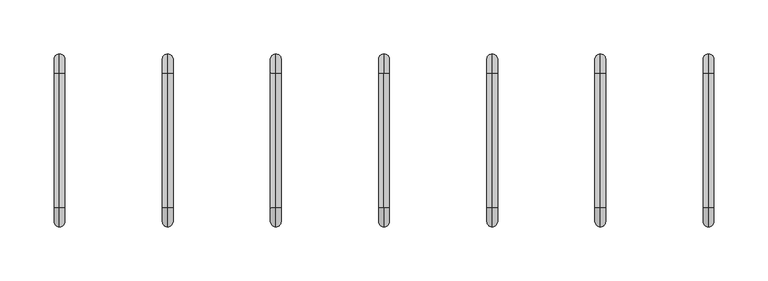
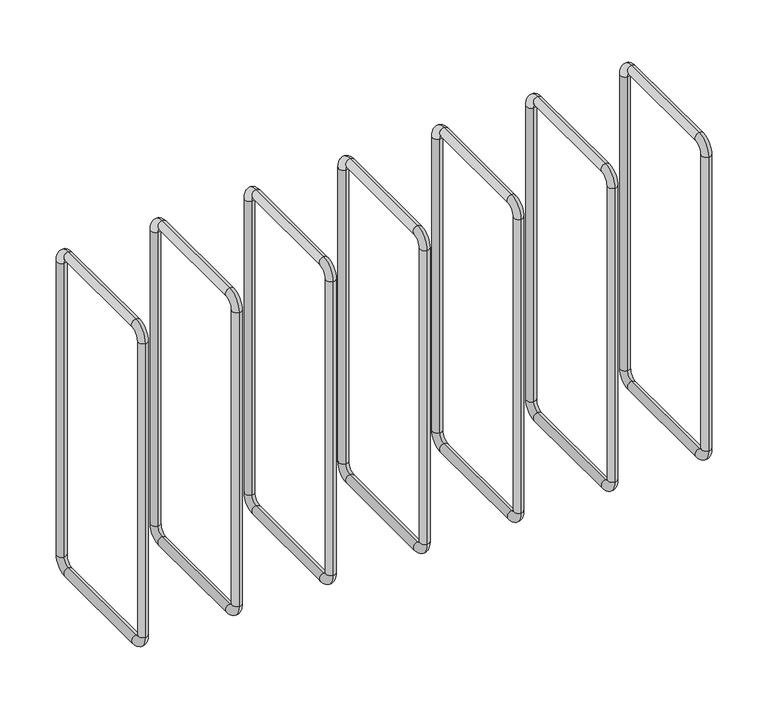
"""IFC4 building model written with IfcOpenShell, lengths in millimetres: proxy geometry."""

from ifc_helpers import new_model, si_unit, point, frame, origin, place, context, project, spatial, circle_curve, ellipse_curve, trimmed, source, transform, mapped, element, save
from ifc_brep_helpers import cylinder_surface, revolved_surface, advanced_brep


def generic_models_89b99ae0(model_context):
    return source(origin(), model_context, "Body", "AdvancedBrep", [
        advanced_brep(
        [(745.0, 80.0, 367.25), (745.0, 62.5, 384.75), (745.0, 62.5, 374.75), (745.0, 70.0, 367.25), (745.0, 70.0, 36.25), (745.0, 80.0, 36.25), (745.0, 62.5, 18.75), (745.0, 62.5, 28.75), (745.0, -62.5, 28.75), (745.0, -62.5, 18.75), (745.0, -80.0, 36.25), (745.0, -70.0, 36.25), (745.0, -70.0, 367.25), (745.0, -80.0, 367.25), (745.0, -62.5, 384.75), (745.0, -62.5, 374.75)],
        [
            (0, 1, circle_curve(frame((745.0, 62.5, 367.25), z_axis=(1.0, 0.0, 0.0), x_axis=(0.0, 0.0, 1.0)), 17.5)),
            (1, 2, circle_curve(frame((745.0, 62.5, 379.75), z_axis=(0.0, 1.0, 0.0), x_axis=(0.0, 0.0, 1.0)), 5.0)),
            (2, 3, circle_curve(frame((745.0, 62.5, 367.25), z_axis=(-1.0, 0.0, 0.0), x_axis=(0.0, 0.0, 1.0)), 7.5)),
            (3, 0, circle_curve(frame((745.0, 75.0, 367.25), z_axis=(0.0, 0.0, 1.0), x_axis=(0.0, 1.0, 0.0)), 5.0)),
            (2, 1, circle_curve(frame((745.0, 62.5, 379.75), z_axis=(0.0, 1.0, 0.0), x_axis=(0.0, 0.0, 1.0)), 5.0)),
            (0, 3, circle_curve(frame((745.0, 75.0, 367.25), z_axis=(0.0, 0.0, 1.0), x_axis=(0.0, 1.0, 0.0)), 5.0)),
            (3, 4),
            (4, 5, circle_curve(frame((745.0, 75.0, 36.25), z_axis=(0.0, 0.0, 1.0), x_axis=(0.0, 1.0, 0.0)), 5.0)),
            (5, 0),
            (5, 4, circle_curve(frame((745.0, 75.0, 36.25), z_axis=(0.0, 0.0, 1.0), x_axis=(0.0, 1.0, 0.0)), 5.0)),
            (6, 5, circle_curve(frame((745.0, 62.5, 36.25), z_axis=(1.0, 0.0, 0.0), x_axis=(0.0, 1.0, 0.0)), 17.5)),
            (4, 7, circle_curve(frame((745.0, 62.5, 36.25), z_axis=(-1.0, 0.0, 0.0), x_axis=(0.0, 1.0, 0.0)), 7.5)),
            (7, 6, circle_curve(frame((745.0, 62.5, 23.75), z_axis=(0.0, 1.0, 0.0), x_axis=(0.0, 0.0, -1.0)), 5.0)),
            (6, 7, circle_curve(frame((745.0, 62.5, 23.75), z_axis=(0.0, 1.0, 0.0), x_axis=(0.0, 0.0, -1.0)), 5.0)),
            (7, 8),
            (8, 9, circle_curve(frame((745.0, -62.5, 23.75), z_axis=(0.0, 1.0, 0.0), x_axis=(0.0, 0.0, -1.0)), 5.0)),
            (9, 6),
            (9, 8, circle_curve(frame((745.0, -62.5, 23.75), z_axis=(0.0, 1.0, 0.0), x_axis=(0.0, 0.0, -1.0)), 5.0)),
            (10, 9, circle_curve(frame((745.0, -62.5, 36.25), z_axis=(1.0, 0.0, 0.0), x_axis=(0.0, 0.0, -1.0)), 17.5)),
            (8, 11, circle_curve(frame((745.0, -62.5, 36.25), z_axis=(-1.0, 0.0, 0.0), x_axis=(0.0, 0.0, -1.0)), 7.5)),
            (11, 10, circle_curve(frame((745.0, -75.0, 36.25), z_axis=(0.0, 0.0, -1.0), x_axis=(0.0, -1.0, 0.0)), 5.0)),
            (10, 11, circle_curve(frame((745.0, -75.0, 36.25), z_axis=(0.0, 0.0, -1.0), x_axis=(0.0, -1.0, 0.0)), 5.0)),
            (11, 12),
            (12, 13, circle_curve(frame((745.0, -75.0, 367.25), z_axis=(0.0, 0.0, -1.0), x_axis=(0.0, -1.0, 0.0)), 5.0)),
            (13, 10),
            (13, 12, circle_curve(frame((745.0, -75.0, 367.25), z_axis=(0.0, 0.0, -1.0), x_axis=(0.0, -1.0, 0.0)), 5.0)),
            (14, 13, circle_curve(frame((745.0, -62.5, 367.25), z_axis=(1.0, 0.0, 0.0), x_axis=(0.0, -1.0, 0.0)), 17.5)),
            (12, 15, circle_curve(frame((745.0, -62.5, 367.25), z_axis=(-1.0, 0.0, 0.0), x_axis=(0.0, -1.0, 0.0)), 7.5)),
            (15, 14, circle_curve(frame((745.0, -62.5, 379.75), z_axis=(0.0, -1.0, 0.0), x_axis=(0.0, 0.0, 1.0)), 5.0)),
            (14, 15, circle_curve(frame((745.0, -62.5, 379.75), z_axis=(0.0, -1.0, 0.0), x_axis=(0.0, 0.0, 1.0)), 5.0)),
            (15, 2),
            (1, 14),
        ],
        [
            revolved_surface(trimmed(ellipse_curve(frame((745.0, 62.5, 379.75), z_axis=(0.0, -1.0, 0.0), x_axis=(0.0, 0.0, 1.0)), 5.0, 5.0), [point((745.0, 62.5, 374.75))], [point((745.0, 62.5, 384.75))], True, "CARTESIAN"), (745.0, 62.5, 367.25), (-1.0, 0.0, 0.0)),
            revolved_surface(trimmed(ellipse_curve(frame((745.0, 62.5, 379.75), z_axis=(0.0, -1.0, 0.0), x_axis=(0.0, 0.0, 1.0)), 5.0, 5.0), [point((745.0, 62.5, 384.75))], [point((745.0, 62.5, 374.75))], True, "CARTESIAN"), (745.0, 62.5, 367.25), (-1.0, 0.0, 0.0)),
            cylinder_surface(frame((745.0, 75.0, 367.25), z_axis=(0.0, 0.0, 1.0), x_axis=(0.0, 1.0, 0.0)), 5.0),
            revolved_surface(trimmed(ellipse_curve(frame((745.0, 75.0, 36.25), z_axis=(0.0, 0.0, 1.0), x_axis=(0.0, 1.0, 0.0)), 5.0, 5.0), [point((745.0, 70.0, 36.25))], [point((745.0, 80.0, 36.25))], True, "CARTESIAN"), (745.0, 62.5, 36.25), (-1.0, 0.0, 0.0)),
            revolved_surface(trimmed(ellipse_curve(frame((745.0, 75.0, 36.25), z_axis=(0.0, 0.0, 1.0), x_axis=(0.0, 1.0, 0.0)), 5.0, 5.0), [point((745.0, 80.0, 36.25))], [point((745.0, 70.0, 36.25))], True, "CARTESIAN"), (745.0, 62.5, 36.25), (-1.0, 0.0, 0.0)),
            cylinder_surface(frame((745.0, 62.5, 23.75), z_axis=(0.0, 1.0, 0.0), x_axis=(0.0, 0.0, -1.0)), 5.0),
            revolved_surface(trimmed(ellipse_curve(frame((745.0, -62.5, 23.75), z_axis=(0.0, 1.0, 0.0), x_axis=(0.0, 0.0, -1.0)), 5.0, 5.0), [point((745.0, -62.5, 28.75))], [point((745.0, -62.5, 18.75))], True, "CARTESIAN"), (745.0, -62.5, 36.25), (-1.0, 0.0, 0.0)),
            revolved_surface(trimmed(ellipse_curve(frame((745.0, -62.5, 23.75), z_axis=(0.0, 1.0, 0.0), x_axis=(0.0, 0.0, -1.0)), 5.0, 5.0), [point((745.0, -62.5, 18.75))], [point((745.0, -62.5, 28.75))], True, "CARTESIAN"), (745.0, -62.5, 36.25), (-1.0, 0.0, 0.0)),
            cylinder_surface(frame((745.0, -75.0, 36.25), z_axis=(0.0, 0.0, -1.0), x_axis=(0.0, -1.0, 0.0)), 5.0),
            revolved_surface(trimmed(ellipse_curve(frame((745.0, -75.0, 367.25), z_axis=(0.0, 0.0, -1.0), x_axis=(0.0, -1.0, 0.0)), 5.0, 5.0), [point((745.0, -70.0, 367.25))], [point((745.0, -80.0, 367.25))], True, "CARTESIAN"), (745.0, -62.5, 367.25), (-1.0, 0.0, 0.0)),
            revolved_surface(trimmed(ellipse_curve(frame((745.0, -75.0, 367.25), z_axis=(0.0, 0.0, -1.0), x_axis=(0.0, -1.0, 0.0)), 5.0, 5.0), [point((745.0, -80.0, 367.25))], [point((745.0, -70.0, 367.25))], True, "CARTESIAN"), (745.0, -62.5, 367.25), (-1.0, 0.0, 0.0)),
            cylinder_surface(frame((745.0, -62.5, 379.75), z_axis=(0.0, -1.0, 0.0), x_axis=(0.0, 0.0, 1.0)), 5.0),
        ],
        [
            (0, [[1, 2, 3, 4]]),
            (1, [[-3, 5, -1, 6]]),
            (2, [[-4, 7, 8, 9]]),
            (2, [[-6, -9, 10, -7]]),
            (3, [[11, -8, 12, 13]]),
            (4, [[-12, -10, -11, 14]]),
            (5, [[-13, 15, 16, 17]]),
            (5, [[-14, -17, 18, -15]]),
            (6, [[19, -16, 20, 21]]),
            (7, [[-20, -18, -19, 22]]),
            (8, [[-21, 23, 24, 25]]),
            (8, [[-22, -25, 26, -23]]),
            (9, [[27, -24, 28, 29]]),
            (10, [[-28, -26, -27, 30]]),
            (11, [[-29, 31, -2, 32]]),
            (11, [[-30, -32, -5, -31]]),
        ],
    ),
        advanced_brep(
        [(645.0, 80.0, 367.25), (645.0, 62.5, 384.75), (645.0, 62.5, 374.75), (645.0, 70.0, 367.25), (645.0, 70.0, 36.25), (645.0, 80.0, 36.25), (645.0, 62.5, 18.75), (645.0, 62.5, 28.75), (645.0, -62.5, 28.75), (645.0, -62.5, 18.75), (645.0, -80.0, 36.25), (645.0, -70.0, 36.25), (645.0, -70.0, 367.25), (645.0, -80.0, 367.25), (645.0, -62.5, 384.75), (645.0, -62.5, 374.75)],
        [
            (0, 1, circle_curve(frame((645.0, 62.5, 367.25), z_axis=(1.0, 0.0, 0.0), x_axis=(0.0, 0.0, 1.0)), 17.5)),
            (1, 2, circle_curve(frame((645.0, 62.5, 379.75), z_axis=(0.0, 1.0, 0.0), x_axis=(0.0, 0.0, 1.0)), 5.0)),
            (2, 3, circle_curve(frame((645.0, 62.5, 367.25), z_axis=(-1.0, 0.0, 0.0), x_axis=(0.0, 0.0, 1.0)), 7.5)),
            (3, 0, circle_curve(frame((645.0, 75.0, 367.25), z_axis=(0.0, 0.0, 1.0), x_axis=(0.0, 1.0, 0.0)), 5.0)),
            (2, 1, circle_curve(frame((645.0, 62.5, 379.75), z_axis=(0.0, 1.0, 0.0), x_axis=(0.0, 0.0, 1.0)), 5.0)),
            (0, 3, circle_curve(frame((645.0, 75.0, 367.25), z_axis=(0.0, 0.0, 1.0), x_axis=(0.0, 1.0, 0.0)), 5.0)),
            (3, 4),
            (4, 5, circle_curve(frame((645.0, 75.0, 36.25), z_axis=(0.0, 0.0, 1.0), x_axis=(0.0, 1.0, 0.0)), 5.0)),
            (5, 0),
            (5, 4, circle_curve(frame((645.0, 75.0, 36.25), z_axis=(0.0, 0.0, 1.0), x_axis=(0.0, 1.0, 0.0)), 5.0)),
            (6, 5, circle_curve(frame((645.0, 62.5, 36.25), z_axis=(1.0, 0.0, 0.0), x_axis=(0.0, 1.0, 0.0)), 17.5)),
            (4, 7, circle_curve(frame((645.0, 62.5, 36.25), z_axis=(-1.0, 0.0, 0.0), x_axis=(0.0, 1.0, 0.0)), 7.5)),
            (7, 6, circle_curve(frame((645.0, 62.5, 23.75), z_axis=(0.0, 1.0, 0.0), x_axis=(0.0, 0.0, -1.0)), 5.0)),
            (6, 7, circle_curve(frame((645.0, 62.5, 23.75), z_axis=(0.0, 1.0, 0.0), x_axis=(0.0, 0.0, -1.0)), 5.0)),
            (7, 8),
            (8, 9, circle_curve(frame((645.0, -62.5, 23.75), z_axis=(0.0, 1.0, 0.0), x_axis=(0.0, 0.0, -1.0)), 5.0)),
            (9, 6),
            (9, 8, circle_curve(frame((645.0, -62.5, 23.75), z_axis=(0.0, 1.0, 0.0), x_axis=(0.0, 0.0, -1.0)), 5.0)),
            (10, 9, circle_curve(frame((645.0, -62.5, 36.25), z_axis=(1.0, 0.0, 0.0), x_axis=(0.0, 0.0, -1.0)), 17.5)),
            (8, 11, circle_curve(frame((645.0, -62.5, 36.25), z_axis=(-1.0, 0.0, 0.0), x_axis=(0.0, 0.0, -1.0)), 7.5)),
            (11, 10, circle_curve(frame((645.0, -75.0, 36.25), z_axis=(0.0, 0.0, -1.0), x_axis=(0.0, -1.0, 0.0)), 5.0)),
            (10, 11, circle_curve(frame((645.0, -75.0, 36.25), z_axis=(0.0, 0.0, -1.0), x_axis=(0.0, -1.0, 0.0)), 5.0)),
            (11, 12),
            (12, 13, circle_curve(frame((645.0, -75.0, 367.25), z_axis=(0.0, 0.0, -1.0), x_axis=(0.0, -1.0, 0.0)), 5.0)),
            (13, 10),
            (13, 12, circle_curve(frame((645.0, -75.0, 367.25), z_axis=(0.0, 0.0, -1.0), x_axis=(0.0, -1.0, 0.0)), 5.0)),
            (14, 13, circle_curve(frame((645.0, -62.5, 367.25), z_axis=(1.0, 0.0, 0.0), x_axis=(0.0, -1.0, 0.0)), 17.5)),
            (12, 15, circle_curve(frame((645.0, -62.5, 367.25), z_axis=(-1.0, 0.0, 0.0), x_axis=(0.0, -1.0, 0.0)), 7.5)),
            (15, 14, circle_curve(frame((645.0, -62.5, 379.75), z_axis=(0.0, -1.0, 0.0), x_axis=(0.0, 0.0, 1.0)), 5.0)),
            (14, 15, circle_curve(frame((645.0, -62.5, 379.75), z_axis=(0.0, -1.0, 0.0), x_axis=(0.0, 0.0, 1.0)), 5.0)),
            (15, 2),
            (1, 14),
        ],
        [
            revolved_surface(trimmed(ellipse_curve(frame((645.0, 62.5, 379.75), z_axis=(0.0, -1.0, 0.0), x_axis=(0.0, 0.0, 1.0)), 5.0, 5.0), [point((645.0, 62.5, 374.75))], [point((645.0, 62.5, 384.75))], True, "CARTESIAN"), (645.0, 62.5, 367.25), (-1.0, 0.0, 0.0)),
            revolved_surface(trimmed(ellipse_curve(frame((645.0, 62.5, 379.75), z_axis=(0.0, -1.0, 0.0), x_axis=(0.0, 0.0, 1.0)), 5.0, 5.0), [point((645.0, 62.5, 384.75))], [point((645.0, 62.5, 374.75))], True, "CARTESIAN"), (645.0, 62.5, 367.25), (-1.0, 0.0, 0.0)),
            cylinder_surface(frame((645.0, 75.0, 367.25), z_axis=(0.0, 0.0, 1.0), x_axis=(0.0, 1.0, 0.0)), 5.0),
            revolved_surface(trimmed(ellipse_curve(frame((645.0, 75.0, 36.25), z_axis=(0.0, 0.0, 1.0), x_axis=(0.0, 1.0, 0.0)), 5.0, 5.0), [point((645.0, 70.0, 36.25))], [point((645.0, 80.0, 36.25))], True, "CARTESIAN"), (645.0, 62.5, 36.25), (-1.0, 0.0, 0.0)),
            revolved_surface(trimmed(ellipse_curve(frame((645.0, 75.0, 36.25), z_axis=(0.0, 0.0, 1.0), x_axis=(0.0, 1.0, 0.0)), 5.0, 5.0), [point((645.0, 80.0, 36.25))], [point((645.0, 70.0, 36.25))], True, "CARTESIAN"), (645.0, 62.5, 36.25), (-1.0, 0.0, 0.0)),
            cylinder_surface(frame((645.0, 62.5, 23.75), z_axis=(0.0, 1.0, 0.0), x_axis=(0.0, 0.0, -1.0)), 5.0),
            revolved_surface(trimmed(ellipse_curve(frame((645.0, -62.5, 23.75), z_axis=(0.0, 1.0, 0.0), x_axis=(0.0, 0.0, -1.0)), 5.0, 5.0), [point((645.0, -62.5, 28.75))], [point((645.0, -62.5, 18.75))], True, "CARTESIAN"), (645.0, -62.5, 36.25), (-1.0, 0.0, 0.0)),
            revolved_surface(trimmed(ellipse_curve(frame((645.0, -62.5, 23.75), z_axis=(0.0, 1.0, 0.0), x_axis=(0.0, 0.0, -1.0)), 5.0, 5.0), [point((645.0, -62.5, 18.75))], [point((645.0, -62.5, 28.75))], True, "CARTESIAN"), (645.0, -62.5, 36.25), (-1.0, 0.0, 0.0)),
            cylinder_surface(frame((645.0, -75.0, 36.25), z_axis=(0.0, 0.0, -1.0), x_axis=(0.0, -1.0, 0.0)), 5.0),
            revolved_surface(trimmed(ellipse_curve(frame((645.0, -75.0, 367.25), z_axis=(0.0, 0.0, -1.0), x_axis=(0.0, -1.0, 0.0)), 5.0, 5.0), [point((645.0, -70.0, 367.25))], [point((645.0, -80.0, 367.25))], True, "CARTESIAN"), (645.0, -62.5, 367.25), (-1.0, 0.0, 0.0)),
            revolved_surface(trimmed(ellipse_curve(frame((645.0, -75.0, 367.25), z_axis=(0.0, 0.0, -1.0), x_axis=(0.0, -1.0, 0.0)), 5.0, 5.0), [point((645.0, -80.0, 367.25))], [point((645.0, -70.0, 367.25))], True, "CARTESIAN"), (645.0, -62.5, 367.25), (-1.0, 0.0, 0.0)),
            cylinder_surface(frame((645.0, -62.5, 379.75), z_axis=(0.0, -1.0, 0.0), x_axis=(0.0, 0.0, 1.0)), 5.0),
        ],
        [
            (0, [[1, 2, 3, 4]]),
            (1, [[-3, 5, -1, 6]]),
            (2, [[-4, 7, 8, 9]]),
            (2, [[-6, -9, 10, -7]]),
            (3, [[11, -8, 12, 13]]),
            (4, [[-12, -10, -11, 14]]),
            (5, [[-13, 15, 16, 17]]),
            (5, [[-14, -17, 18, -15]]),
            (6, [[19, -16, 20, 21]]),
            (7, [[-20, -18, -19, 22]]),
            (8, [[-21, 23, 24, 25]]),
            (8, [[-22, -25, 26, -23]]),
            (9, [[27, -24, 28, 29]]),
            (10, [[-28, -26, -27, 30]]),
            (11, [[-29, 31, -2, 32]]),
            (11, [[-30, -32, -5, -31]]),
        ],
    ),
        advanced_brep(
        [(545.0, 80.0, 367.25), (545.0, 62.5, 384.75), (545.0, 62.5, 374.75), (545.0, 70.0, 367.25), (545.0, 70.0, 36.25), (545.0, 80.0, 36.25), (545.0, 62.5, 18.75), (545.0, 62.5, 28.75), (545.0, -62.5, 28.75), (545.0, -62.5, 18.75), (545.0, -80.0, 36.25), (545.0, -70.0, 36.25), (545.0, -70.0, 367.25), (545.0, -80.0, 367.25), (545.0, -62.5, 384.75), (545.0, -62.5, 374.75)],
        [
            (0, 1, circle_curve(frame((545.0, 62.5, 367.25), z_axis=(1.0, 0.0, 0.0), x_axis=(0.0, 0.0, 1.0)), 17.5)),
            (1, 2, circle_curve(frame((545.0, 62.5, 379.75), z_axis=(0.0, 1.0, 0.0), x_axis=(0.0, 0.0, 1.0)), 5.0)),
            (2, 3, circle_curve(frame((545.0, 62.5, 367.25), z_axis=(-1.0, 0.0, 0.0), x_axis=(0.0, 0.0, 1.0)), 7.5)),
            (3, 0, circle_curve(frame((545.0, 75.0, 367.25), z_axis=(0.0, 0.0, 1.0), x_axis=(0.0, 1.0, 0.0)), 5.0)),
            (2, 1, circle_curve(frame((545.0, 62.5, 379.75), z_axis=(0.0, 1.0, 0.0), x_axis=(0.0, 0.0, 1.0)), 5.0)),
            (0, 3, circle_curve(frame((545.0, 75.0, 367.25), z_axis=(0.0, 0.0, 1.0), x_axis=(0.0, 1.0, 0.0)), 5.0)),
            (3, 4),
            (4, 5, circle_curve(frame((545.0, 75.0, 36.25), z_axis=(0.0, 0.0, 1.0), x_axis=(0.0, 1.0, 0.0)), 5.0)),
            (5, 0),
            (5, 4, circle_curve(frame((545.0, 75.0, 36.25), z_axis=(0.0, 0.0, 1.0), x_axis=(0.0, 1.0, 0.0)), 5.0)),
            (6, 5, circle_curve(frame((545.0, 62.5, 36.25), z_axis=(1.0, 0.0, 0.0), x_axis=(0.0, 1.0, 0.0)), 17.5)),
            (4, 7, circle_curve(frame((545.0, 62.5, 36.25), z_axis=(-1.0, 0.0, 0.0), x_axis=(0.0, 1.0, 0.0)), 7.5)),
            (7, 6, circle_curve(frame((545.0, 62.5, 23.75), z_axis=(0.0, 1.0, 0.0), x_axis=(0.0, 0.0, -1.0)), 5.0)),
            (6, 7, circle_curve(frame((545.0, 62.5, 23.75), z_axis=(0.0, 1.0, 0.0), x_axis=(0.0, 0.0, -1.0)), 5.0)),
            (7, 8),
            (8, 9, circle_curve(frame((545.0, -62.5, 23.75), z_axis=(0.0, 1.0, 0.0), x_axis=(0.0, 0.0, -1.0)), 5.0)),
            (9, 6),
            (9, 8, circle_curve(frame((545.0, -62.5, 23.75), z_axis=(0.0, 1.0, 0.0), x_axis=(0.0, 0.0, -1.0)), 5.0)),
            (10, 9, circle_curve(frame((545.0, -62.5, 36.25), z_axis=(1.0, 0.0, 0.0), x_axis=(0.0, 0.0, -1.0)), 17.5)),
            (8, 11, circle_curve(frame((545.0, -62.5, 36.25), z_axis=(-1.0, 0.0, 0.0), x_axis=(0.0, 0.0, -1.0)), 7.5)),
            (11, 10, circle_curve(frame((545.0, -75.0, 36.25), z_axis=(0.0, 0.0, -1.0), x_axis=(0.0, -1.0, 0.0)), 5.0)),
            (10, 11, circle_curve(frame((545.0, -75.0, 36.25), z_axis=(0.0, 0.0, -1.0), x_axis=(0.0, -1.0, 0.0)), 5.0)),
            (11, 12),
            (12, 13, circle_curve(frame((545.0, -75.0, 367.25), z_axis=(0.0, 0.0, -1.0), x_axis=(0.0, -1.0, 0.0)), 5.0)),
            (13, 10),
            (13, 12, circle_curve(frame((545.0, -75.0, 367.25), z_axis=(0.0, 0.0, -1.0), x_axis=(0.0, -1.0, 0.0)), 5.0)),
            (14, 13, circle_curve(frame((545.0, -62.5, 367.25), z_axis=(1.0, 0.0, 0.0), x_axis=(0.0, -1.0, 0.0)), 17.5)),
            (12, 15, circle_curve(frame((545.0, -62.5, 367.25), z_axis=(-1.0, 0.0, 0.0), x_axis=(0.0, -1.0, 0.0)), 7.5)),
            (15, 14, circle_curve(frame((545.0, -62.5, 379.75), z_axis=(0.0, -1.0, 0.0), x_axis=(0.0, 0.0, 1.0)), 5.0)),
            (14, 15, circle_curve(frame((545.0, -62.5, 379.75), z_axis=(0.0, -1.0, 0.0), x_axis=(0.0, 0.0, 1.0)), 5.0)),
            (15, 2),
            (1, 14),
        ],
        [
            revolved_surface(trimmed(ellipse_curve(frame((545.0, 62.5, 379.75), z_axis=(0.0, -1.0, 0.0), x_axis=(0.0, 0.0, 1.0)), 5.0, 5.0), [point((545.0, 62.5, 374.75))], [point((545.0, 62.5, 384.75))], True, "CARTESIAN"), (545.0, 62.5, 367.25), (-1.0, 0.0, 0.0)),
            revolved_surface(trimmed(ellipse_curve(frame((545.0, 62.5, 379.75), z_axis=(0.0, -1.0, 0.0), x_axis=(0.0, 0.0, 1.0)), 5.0, 5.0), [point((545.0, 62.5, 384.75))], [point((545.0, 62.5, 374.75))], True, "CARTESIAN"), (545.0, 62.5, 367.25), (-1.0, 0.0, 0.0)),
            cylinder_surface(frame((545.0, 75.0, 367.25), z_axis=(0.0, 0.0, 1.0), x_axis=(0.0, 1.0, 0.0)), 5.0),
            revolved_surface(trimmed(ellipse_curve(frame((545.0, 75.0, 36.25), z_axis=(0.0, 0.0, 1.0), x_axis=(0.0, 1.0, 0.0)), 5.0, 5.0), [point((545.0, 70.0, 36.25))], [point((545.0, 80.0, 36.25))], True, "CARTESIAN"), (545.0, 62.5, 36.25), (-1.0, 0.0, 0.0)),
            revolved_surface(trimmed(ellipse_curve(frame((545.0, 75.0, 36.25), z_axis=(0.0, 0.0, 1.0), x_axis=(0.0, 1.0, 0.0)), 5.0, 5.0), [point((545.0, 80.0, 36.25))], [point((545.0, 70.0, 36.25))], True, "CARTESIAN"), (545.0, 62.5, 36.25), (-1.0, 0.0, 0.0)),
            cylinder_surface(frame((545.0, 62.5, 23.75), z_axis=(0.0, 1.0, 0.0), x_axis=(0.0, 0.0, -1.0)), 5.0),
            revolved_surface(trimmed(ellipse_curve(frame((545.0, -62.5, 23.75), z_axis=(0.0, 1.0, 0.0), x_axis=(0.0, 0.0, -1.0)), 5.0, 5.0), [point((545.0, -62.5, 28.75))], [point((545.0, -62.5, 18.75))], True, "CARTESIAN"), (545.0, -62.5, 36.25), (-1.0, 0.0, 0.0)),
            revolved_surface(trimmed(ellipse_curve(frame((545.0, -62.5, 23.75), z_axis=(0.0, 1.0, 0.0), x_axis=(0.0, 0.0, -1.0)), 5.0, 5.0), [point((545.0, -62.5, 18.75))], [point((545.0, -62.5, 28.75))], True, "CARTESIAN"), (545.0, -62.5, 36.25), (-1.0, 0.0, 0.0)),
            cylinder_surface(frame((545.0, -75.0, 36.25), z_axis=(0.0, 0.0, -1.0), x_axis=(0.0, -1.0, 0.0)), 5.0),
            revolved_surface(trimmed(ellipse_curve(frame((545.0, -75.0, 367.25), z_axis=(0.0, 0.0, -1.0), x_axis=(0.0, -1.0, 0.0)), 5.0, 5.0), [point((545.0, -70.0, 367.25))], [point((545.0, -80.0, 367.25))], True, "CARTESIAN"), (545.0, -62.5, 367.25), (-1.0, 0.0, 0.0)),
            revolved_surface(trimmed(ellipse_curve(frame((545.0, -75.0, 367.25), z_axis=(0.0, 0.0, -1.0), x_axis=(0.0, -1.0, 0.0)), 5.0, 5.0), [point((545.0, -80.0, 367.25))], [point((545.0, -70.0, 367.25))], True, "CARTESIAN"), (545.0, -62.5, 367.25), (-1.0, 0.0, 0.0)),
            cylinder_surface(frame((545.0, -62.5, 379.75), z_axis=(0.0, -1.0, 0.0), x_axis=(0.0, 0.0, 1.0)), 5.0),
        ],
        [
            (0, [[1, 2, 3, 4]]),
            (1, [[-3, 5, -1, 6]]),
            (2, [[-4, 7, 8, 9]]),
            (2, [[-6, -9, 10, -7]]),
            (3, [[11, -8, 12, 13]]),
            (4, [[-12, -10, -11, 14]]),
            (5, [[-13, 15, 16, 17]]),
            (5, [[-14, -17, 18, -15]]),
            (6, [[19, -16, 20, 21]]),
            (7, [[-20, -18, -19, 22]]),
            (8, [[-21, 23, 24, 25]]),
            (8, [[-22, -25, 26, -23]]),
            (9, [[27, -24, 28, 29]]),
            (10, [[-28, -26, -27, 30]]),
            (11, [[-29, 31, -2, 32]]),
            (11, [[-30, -32, -5, -31]]),
        ],
    ),
        advanced_brep(
        [(445.0, 80.0, 367.25), (445.0, 62.5, 384.75), (445.0, 62.5, 374.75), (445.0, 70.0, 367.25), (445.0, 70.0, 36.25), (445.0, 80.0, 36.25), (445.0, 62.5, 18.75), (445.0, 62.5, 28.75), (445.0, -62.5, 28.75), (445.0, -62.5, 18.75), (445.0, -80.0, 36.25), (445.0, -70.0, 36.25), (445.0, -70.0, 367.25), (445.0, -80.0, 367.25), (445.0, -62.5, 384.75), (445.0, -62.5, 374.75)],
        [
            (0, 1, circle_curve(frame((445.0, 62.5, 367.25), z_axis=(1.0, 0.0, 0.0), x_axis=(0.0, 0.0, 1.0)), 17.5)),
            (1, 2, circle_curve(frame((445.0, 62.5, 379.75), z_axis=(0.0, 1.0, 0.0), x_axis=(0.0, 0.0, 1.0)), 5.0)),
            (2, 3, circle_curve(frame((445.0, 62.5, 367.25), z_axis=(-1.0, 0.0, 0.0), x_axis=(0.0, 0.0, 1.0)), 7.5)),
            (3, 0, circle_curve(frame((445.0, 75.0, 367.25), z_axis=(0.0, 0.0, 1.0), x_axis=(0.0, 1.0, 0.0)), 5.0)),
            (2, 1, circle_curve(frame((445.0, 62.5, 379.75), z_axis=(0.0, 1.0, 0.0), x_axis=(0.0, 0.0, 1.0)), 5.0)),
            (0, 3, circle_curve(frame((445.0, 75.0, 367.25), z_axis=(0.0, 0.0, 1.0), x_axis=(0.0, 1.0, 0.0)), 5.0)),
            (3, 4),
            (4, 5, circle_curve(frame((445.0, 75.0, 36.25), z_axis=(0.0, 0.0, 1.0), x_axis=(0.0, 1.0, 0.0)), 5.0)),
            (5, 0),
            (5, 4, circle_curve(frame((445.0, 75.0, 36.25), z_axis=(0.0, 0.0, 1.0), x_axis=(0.0, 1.0, 0.0)), 5.0)),
            (6, 5, circle_curve(frame((445.0, 62.5, 36.25), z_axis=(1.0, 0.0, 0.0), x_axis=(0.0, 1.0, 0.0)), 17.5)),
            (4, 7, circle_curve(frame((445.0, 62.5, 36.25), z_axis=(-1.0, 0.0, 0.0), x_axis=(0.0, 1.0, 0.0)), 7.5)),
            (7, 6, circle_curve(frame((445.0, 62.5, 23.75), z_axis=(0.0, 1.0, 0.0), x_axis=(0.0, 0.0, -1.0)), 5.0)),
            (6, 7, circle_curve(frame((445.0, 62.5, 23.75), z_axis=(0.0, 1.0, 0.0), x_axis=(0.0, 0.0, -1.0)), 5.0)),
            (7, 8),
            (8, 9, circle_curve(frame((445.0, -62.5, 23.75), z_axis=(0.0, 1.0, 0.0), x_axis=(0.0, 0.0, -1.0)), 5.0)),
            (9, 6),
            (9, 8, circle_curve(frame((445.0, -62.5, 23.75), z_axis=(0.0, 1.0, 0.0), x_axis=(0.0, 0.0, -1.0)), 5.0)),
            (10, 9, circle_curve(frame((445.0, -62.5, 36.25), z_axis=(1.0, 0.0, 0.0), x_axis=(0.0, 0.0, -1.0)), 17.5)),
            (8, 11, circle_curve(frame((445.0, -62.5, 36.25), z_axis=(-1.0, 0.0, 0.0), x_axis=(0.0, 0.0, -1.0)), 7.5)),
            (11, 10, circle_curve(frame((445.0, -75.0, 36.25), z_axis=(0.0, 0.0, -1.0), x_axis=(0.0, -1.0, 0.0)), 5.0)),
            (10, 11, circle_curve(frame((445.0, -75.0, 36.25), z_axis=(0.0, 0.0, -1.0), x_axis=(0.0, -1.0, 0.0)), 5.0)),
            (11, 12),
            (12, 13, circle_curve(frame((445.0, -75.0, 367.25), z_axis=(0.0, 0.0, -1.0), x_axis=(0.0, -1.0, 0.0)), 5.0)),
            (13, 10),
            (13, 12, circle_curve(frame((445.0, -75.0, 367.25), z_axis=(0.0, 0.0, -1.0), x_axis=(0.0, -1.0, 0.0)), 5.0)),
            (14, 13, circle_curve(frame((445.0, -62.5, 367.25), z_axis=(1.0, 0.0, 0.0), x_axis=(0.0, -1.0, 0.0)), 17.5)),
            (12, 15, circle_curve(frame((445.0, -62.5, 367.25), z_axis=(-1.0, 0.0, 0.0), x_axis=(0.0, -1.0, 0.0)), 7.5)),
            (15, 14, circle_curve(frame((445.0, -62.5, 379.75), z_axis=(0.0, -1.0, 0.0), x_axis=(0.0, 0.0, 1.0)), 5.0)),
            (14, 15, circle_curve(frame((445.0, -62.5, 379.75), z_axis=(0.0, -1.0, 0.0), x_axis=(0.0, 0.0, 1.0)), 5.0)),
            (15, 2),
            (1, 14),
        ],
        [
            revolved_surface(trimmed(ellipse_curve(frame((445.0, 62.5, 379.75), z_axis=(0.0, -1.0, 0.0), x_axis=(0.0, 0.0, 1.0)), 5.0, 5.0), [point((445.0, 62.5, 374.75))], [point((445.0, 62.5, 384.75))], True, "CARTESIAN"), (445.0, 62.5, 367.25), (-1.0, 0.0, 0.0)),
            revolved_surface(trimmed(ellipse_curve(frame((445.0, 62.5, 379.75), z_axis=(0.0, -1.0, 0.0), x_axis=(0.0, 0.0, 1.0)), 5.0, 5.0), [point((445.0, 62.5, 384.75))], [point((445.0, 62.5, 374.75))], True, "CARTESIAN"), (445.0, 62.5, 367.25), (-1.0, 0.0, 0.0)),
            cylinder_surface(frame((445.0, 75.0, 367.25), z_axis=(0.0, 0.0, 1.0), x_axis=(0.0, 1.0, 0.0)), 5.0),
            revolved_surface(trimmed(ellipse_curve(frame((445.0, 75.0, 36.25), z_axis=(0.0, 0.0, 1.0), x_axis=(0.0, 1.0, 0.0)), 5.0, 5.0), [point((445.0, 70.0, 36.25))], [point((445.0, 80.0, 36.25))], True, "CARTESIAN"), (445.0, 62.5, 36.25), (-1.0, 0.0, 0.0)),
            revolved_surface(trimmed(ellipse_curve(frame((445.0, 75.0, 36.25), z_axis=(0.0, 0.0, 1.0), x_axis=(0.0, 1.0, 0.0)), 5.0, 5.0), [point((445.0, 80.0, 36.25))], [point((445.0, 70.0, 36.25))], True, "CARTESIAN"), (445.0, 62.5, 36.25), (-1.0, 0.0, 0.0)),
            cylinder_surface(frame((445.0, 62.5, 23.75), z_axis=(0.0, 1.0, 0.0), x_axis=(0.0, 0.0, -1.0)), 5.0),
            revolved_surface(trimmed(ellipse_curve(frame((445.0, -62.5, 23.75), z_axis=(0.0, 1.0, 0.0), x_axis=(0.0, 0.0, -1.0)), 5.0, 5.0), [point((445.0, -62.5, 28.75))], [point((445.0, -62.5, 18.75))], True, "CARTESIAN"), (445.0, -62.5, 36.25), (-1.0, 0.0, 0.0)),
            revolved_surface(trimmed(ellipse_curve(frame((445.0, -62.5, 23.75), z_axis=(0.0, 1.0, 0.0), x_axis=(0.0, 0.0, -1.0)), 5.0, 5.0), [point((445.0, -62.5, 18.75))], [point((445.0, -62.5, 28.75))], True, "CARTESIAN"), (445.0, -62.5, 36.25), (-1.0, 0.0, 0.0)),
            cylinder_surface(frame((445.0, -75.0, 36.25), z_axis=(0.0, 0.0, -1.0), x_axis=(0.0, -1.0, 0.0)), 5.0),
            revolved_surface(trimmed(ellipse_curve(frame((445.0, -75.0, 367.25), z_axis=(0.0, 0.0, -1.0), x_axis=(0.0, -1.0, 0.0)), 5.0, 5.0), [point((445.0, -70.0, 367.25))], [point((445.0, -80.0, 367.25))], True, "CARTESIAN"), (445.0, -62.5, 367.25), (-1.0, 0.0, 0.0)),
            revolved_surface(trimmed(ellipse_curve(frame((445.0, -75.0, 367.25), z_axis=(0.0, 0.0, -1.0), x_axis=(0.0, -1.0, 0.0)), 5.0, 5.0), [point((445.0, -80.0, 367.25))], [point((445.0, -70.0, 367.25))], True, "CARTESIAN"), (445.0, -62.5, 367.25), (-1.0, 0.0, 0.0)),
            cylinder_surface(frame((445.0, -62.5, 379.75), z_axis=(0.0, -1.0, 0.0), x_axis=(0.0, 0.0, 1.0)), 5.0),
        ],
        [
            (0, [[1, 2, 3, 4]]),
            (1, [[-3, 5, -1, 6]]),
            (2, [[-4, 7, 8, 9]]),
            (2, [[-6, -9, 10, -7]]),
            (3, [[11, -8, 12, 13]]),
            (4, [[-12, -10, -11, 14]]),
            (5, [[-13, 15, 16, 17]]),
            (5, [[-14, -17, 18, -15]]),
            (6, [[19, -16, 20, 21]]),
            (7, [[-20, -18, -19, 22]]),
            (8, [[-21, 23, 24, 25]]),
            (8, [[-22, -25, 26, -23]]),
            (9, [[27, -24, 28, 29]]),
            (10, [[-28, -26, -27, 30]]),
            (11, [[-29, 31, -2, 32]]),
            (11, [[-30, -32, -5, -31]]),
        ],
    ),
        advanced_brep(
        [(345.0, 80.0, 367.25), (345.0, 62.5, 384.75), (345.0, 62.5, 374.75), (345.0, 70.0, 367.25), (345.0, 70.0, 36.25), (345.0, 80.0, 36.25), (345.0, 62.5, 18.75), (345.0, 62.5, 28.75), (345.0, -62.5, 28.75), (345.0, -62.5, 18.75), (345.0, -80.0, 36.25), (345.0, -70.0, 36.25), (345.0, -70.0, 367.25), (345.0, -80.0, 367.25), (345.0, -62.5, 384.75), (345.0, -62.5, 374.75)],
        [
            (0, 1, circle_curve(frame((345.0, 62.5, 367.25), z_axis=(1.0, 0.0, 0.0), x_axis=(0.0, 0.0, 1.0)), 17.5)),
            (1, 2, circle_curve(frame((345.0, 62.5, 379.75), z_axis=(0.0, 1.0, 0.0), x_axis=(0.0, 0.0, 1.0)), 5.0)),
            (2, 3, circle_curve(frame((345.0, 62.5, 367.25), z_axis=(-1.0, 0.0, 0.0), x_axis=(0.0, 0.0, 1.0)), 7.5)),
            (3, 0, circle_curve(frame((345.0, 75.0, 367.25), z_axis=(0.0, 0.0, 1.0), x_axis=(0.0, 1.0, 0.0)), 5.0)),
            (2, 1, circle_curve(frame((345.0, 62.5, 379.75), z_axis=(0.0, 1.0, 0.0), x_axis=(0.0, 0.0, 1.0)), 5.0)),
            (0, 3, circle_curve(frame((345.0, 75.0, 367.25), z_axis=(0.0, 0.0, 1.0), x_axis=(0.0, 1.0, 0.0)), 5.0)),
            (3, 4),
            (4, 5, circle_curve(frame((345.0, 75.0, 36.25), z_axis=(0.0, 0.0, 1.0), x_axis=(0.0, 1.0, 0.0)), 5.0)),
            (5, 0),
            (5, 4, circle_curve(frame((345.0, 75.0, 36.25), z_axis=(0.0, 0.0, 1.0), x_axis=(0.0, 1.0, 0.0)), 5.0)),
            (6, 5, circle_curve(frame((345.0, 62.5, 36.25), z_axis=(1.0, 0.0, 0.0), x_axis=(0.0, 1.0, 0.0)), 17.5)),
            (4, 7, circle_curve(frame((345.0, 62.5, 36.25), z_axis=(-1.0, 0.0, 0.0), x_axis=(0.0, 1.0, 0.0)), 7.5)),
            (7, 6, circle_curve(frame((345.0, 62.5, 23.75), z_axis=(0.0, 1.0, 0.0), x_axis=(0.0, 0.0, -1.0)), 5.0)),
            (6, 7, circle_curve(frame((345.0, 62.5, 23.75), z_axis=(0.0, 1.0, 0.0), x_axis=(0.0, 0.0, -1.0)), 5.0)),
            (7, 8),
            (8, 9, circle_curve(frame((345.0, -62.5, 23.75), z_axis=(0.0, 1.0, 0.0), x_axis=(0.0, 0.0, -1.0)), 5.0)),
            (9, 6),
            (9, 8, circle_curve(frame((345.0, -62.5, 23.75), z_axis=(0.0, 1.0, 0.0), x_axis=(0.0, 0.0, -1.0)), 5.0)),
            (10, 9, circle_curve(frame((345.0, -62.5, 36.25), z_axis=(1.0, 0.0, 0.0), x_axis=(0.0, 0.0, -1.0)), 17.5)),
            (8, 11, circle_curve(frame((345.0, -62.5, 36.25), z_axis=(-1.0, 0.0, 0.0), x_axis=(0.0, 0.0, -1.0)), 7.5)),
            (11, 10, circle_curve(frame((345.0, -75.0, 36.25), z_axis=(0.0, 0.0, -1.0), x_axis=(0.0, -1.0, 0.0)), 5.0)),
            (10, 11, circle_curve(frame((345.0, -75.0, 36.25), z_axis=(0.0, 0.0, -1.0), x_axis=(0.0, -1.0, 0.0)), 5.0)),
            (11, 12),
            (12, 13, circle_curve(frame((345.0, -75.0, 367.25), z_axis=(0.0, 0.0, -1.0), x_axis=(0.0, -1.0, 0.0)), 5.0)),
            (13, 10),
            (13, 12, circle_curve(frame((345.0, -75.0, 367.25), z_axis=(0.0, 0.0, -1.0), x_axis=(0.0, -1.0, 0.0)), 5.0)),
            (14, 13, circle_curve(frame((345.0, -62.5, 367.25), z_axis=(1.0, 0.0, 0.0), x_axis=(0.0, -1.0, 0.0)), 17.5)),
            (12, 15, circle_curve(frame((345.0, -62.5, 367.25), z_axis=(-1.0, 0.0, 0.0), x_axis=(0.0, -1.0, 0.0)), 7.5)),
            (15, 14, circle_curve(frame((345.0, -62.5, 379.75), z_axis=(0.0, -1.0, 0.0), x_axis=(0.0, 0.0, 1.0)), 5.0)),
            (14, 15, circle_curve(frame((345.0, -62.5, 379.75), z_axis=(0.0, -1.0, 0.0), x_axis=(0.0, 0.0, 1.0)), 5.0)),
            (15, 2),
            (1, 14),
        ],
        [
            revolved_surface(trimmed(ellipse_curve(frame((345.0, 62.5, 379.75), z_axis=(0.0, -1.0, 0.0), x_axis=(0.0, 0.0, 1.0)), 5.0, 5.0), [point((345.0, 62.5, 374.75))], [point((345.0, 62.5, 384.75))], True, "CARTESIAN"), (345.0, 62.5, 367.25), (-1.0, 0.0, 0.0)),
            revolved_surface(trimmed(ellipse_curve(frame((345.0, 62.5, 379.75), z_axis=(0.0, -1.0, 0.0), x_axis=(0.0, 0.0, 1.0)), 5.0, 5.0), [point((345.0, 62.5, 384.75))], [point((345.0, 62.5, 374.75))], True, "CARTESIAN"), (345.0, 62.5, 367.25), (-1.0, 0.0, 0.0)),
            cylinder_surface(frame((345.0, 75.0, 367.25), z_axis=(0.0, 0.0, 1.0), x_axis=(0.0, 1.0, 0.0)), 5.0),
            revolved_surface(trimmed(ellipse_curve(frame((345.0, 75.0, 36.25), z_axis=(0.0, 0.0, 1.0), x_axis=(0.0, 1.0, 0.0)), 5.0, 5.0), [point((345.0, 70.0, 36.25))], [point((345.0, 80.0, 36.25))], True, "CARTESIAN"), (345.0, 62.5, 36.25), (-1.0, 0.0, 0.0)),
            revolved_surface(trimmed(ellipse_curve(frame((345.0, 75.0, 36.25), z_axis=(0.0, 0.0, 1.0), x_axis=(0.0, 1.0, 0.0)), 5.0, 5.0), [point((345.0, 80.0, 36.25))], [point((345.0, 70.0, 36.25))], True, "CARTESIAN"), (345.0, 62.5, 36.25), (-1.0, 0.0, 0.0)),
            cylinder_surface(frame((345.0, 62.5, 23.75), z_axis=(0.0, 1.0, 0.0), x_axis=(0.0, 0.0, -1.0)), 5.0),
            revolved_surface(trimmed(ellipse_curve(frame((345.0, -62.5, 23.75), z_axis=(0.0, 1.0, 0.0), x_axis=(0.0, 0.0, -1.0)), 5.0, 5.0), [point((345.0, -62.5, 28.75))], [point((345.0, -62.5, 18.75))], True, "CARTESIAN"), (345.0, -62.5, 36.25), (-1.0, 0.0, 0.0)),
            revolved_surface(trimmed(ellipse_curve(frame((345.0, -62.5, 23.75), z_axis=(0.0, 1.0, 0.0), x_axis=(0.0, 0.0, -1.0)), 5.0, 5.0), [point((345.0, -62.5, 18.75))], [point((345.0, -62.5, 28.75))], True, "CARTESIAN"), (345.0, -62.5, 36.25), (-1.0, 0.0, 0.0)),
            cylinder_surface(frame((345.0, -75.0, 36.25), z_axis=(0.0, 0.0, -1.0), x_axis=(0.0, -1.0, 0.0)), 5.0),
            revolved_surface(trimmed(ellipse_curve(frame((345.0, -75.0, 367.25), z_axis=(0.0, 0.0, -1.0), x_axis=(0.0, -1.0, 0.0)), 5.0, 5.0), [point((345.0, -70.0, 367.25))], [point((345.0, -80.0, 367.25))], True, "CARTESIAN"), (345.0, -62.5, 367.25), (-1.0, 0.0, 0.0)),
            revolved_surface(trimmed(ellipse_curve(frame((345.0, -75.0, 367.25), z_axis=(0.0, 0.0, -1.0), x_axis=(0.0, -1.0, 0.0)), 5.0, 5.0), [point((345.0, -80.0, 367.25))], [point((345.0, -70.0, 367.25))], True, "CARTESIAN"), (345.0, -62.5, 367.25), (-1.0, 0.0, 0.0)),
            cylinder_surface(frame((345.0, -62.5, 379.75), z_axis=(0.0, -1.0, 0.0), x_axis=(0.0, 0.0, 1.0)), 5.0),
        ],
        [
            (0, [[1, 2, 3, 4]]),
            (1, [[-3, 5, -1, 6]]),
            (2, [[-4, 7, 8, 9]]),
            (2, [[-6, -9, 10, -7]]),
            (3, [[11, -8, 12, 13]]),
            (4, [[-12, -10, -11, 14]]),
            (5, [[-13, 15, 16, 17]]),
            (5, [[-14, -17, 18, -15]]),
            (6, [[19, -16, 20, 21]]),
            (7, [[-20, -18, -19, 22]]),
            (8, [[-21, 23, 24, 25]]),
            (8, [[-22, -25, 26, -23]]),
            (9, [[27, -24, 28, 29]]),
            (10, [[-28, -26, -27, 30]]),
            (11, [[-29, 31, -2, 32]]),
            (11, [[-30, -32, -5, -31]]),
        ],
    ),
        advanced_brep(
        [(245.0, 80.0, 367.25), (245.0, 62.5, 384.75), (245.0, 62.5, 374.75), (245.0, 70.0, 367.25), (245.0, 70.0, 36.25), (245.0, 80.0, 36.25), (245.0, 62.5, 18.75), (245.0, 62.5, 28.75), (245.0, -62.5, 28.75), (245.0, -62.5, 18.75), (245.0, -80.0, 36.25), (245.0, -70.0, 36.25), (245.0, -70.0, 367.25), (245.0, -80.0, 367.25), (245.0, -62.5, 384.75), (245.0, -62.5, 374.75)],
        [
            (0, 1, circle_curve(frame((245.0, 62.5, 367.25), z_axis=(1.0, 0.0, 0.0), x_axis=(0.0, 0.0, 1.0)), 17.5)),
            (1, 2, circle_curve(frame((245.0, 62.5, 379.75), z_axis=(0.0, 1.0, 0.0), x_axis=(0.0, 0.0, 1.0)), 5.0)),
            (2, 3, circle_curve(frame((245.0, 62.5, 367.25), z_axis=(-1.0, 0.0, 0.0), x_axis=(0.0, 0.0, 1.0)), 7.5)),
            (3, 0, circle_curve(frame((245.0, 75.0, 367.25), z_axis=(0.0, 0.0, 1.0), x_axis=(0.0, 1.0, 0.0)), 5.0)),
            (2, 1, circle_curve(frame((245.0, 62.5, 379.75), z_axis=(0.0, 1.0, 0.0), x_axis=(0.0, 0.0, 1.0)), 5.0)),
            (0, 3, circle_curve(frame((245.0, 75.0, 367.25), z_axis=(0.0, 0.0, 1.0), x_axis=(0.0, 1.0, 0.0)), 5.0)),
            (3, 4),
            (4, 5, circle_curve(frame((245.0, 75.0, 36.25), z_axis=(0.0, 0.0, 1.0), x_axis=(0.0, 1.0, 0.0)), 5.0)),
            (5, 0),
            (5, 4, circle_curve(frame((245.0, 75.0, 36.25), z_axis=(0.0, 0.0, 1.0), x_axis=(0.0, 1.0, 0.0)), 5.0)),
            (6, 5, circle_curve(frame((245.0, 62.5, 36.25), z_axis=(1.0, 0.0, 0.0), x_axis=(0.0, 1.0, 0.0)), 17.5)),
            (4, 7, circle_curve(frame((245.0, 62.5, 36.25), z_axis=(-1.0, 0.0, 0.0), x_axis=(0.0, 1.0, 0.0)), 7.5)),
            (7, 6, circle_curve(frame((245.0, 62.5, 23.75), z_axis=(0.0, 1.0, 0.0), x_axis=(0.0, 0.0, -1.0)), 5.0)),
            (6, 7, circle_curve(frame((245.0, 62.5, 23.75), z_axis=(0.0, 1.0, 0.0), x_axis=(0.0, 0.0, -1.0)), 5.0)),
            (7, 8),
            (8, 9, circle_curve(frame((245.0, -62.5, 23.75), z_axis=(0.0, 1.0, 0.0), x_axis=(0.0, 0.0, -1.0)), 5.0)),
            (9, 6),
            (9, 8, circle_curve(frame((245.0, -62.5, 23.75), z_axis=(0.0, 1.0, 0.0), x_axis=(0.0, 0.0, -1.0)), 5.0)),
            (10, 9, circle_curve(frame((245.0, -62.5, 36.25), z_axis=(1.0, 0.0, 0.0), x_axis=(0.0, 0.0, -1.0)), 17.5)),
            (8, 11, circle_curve(frame((245.0, -62.5, 36.25), z_axis=(-1.0, 0.0, 0.0), x_axis=(0.0, 0.0, -1.0)), 7.5)),
            (11, 10, circle_curve(frame((245.0, -75.0, 36.25), z_axis=(0.0, 0.0, -1.0), x_axis=(0.0, -1.0, 0.0)), 5.0)),
            (10, 11, circle_curve(frame((245.0, -75.0, 36.25), z_axis=(0.0, 0.0, -1.0), x_axis=(0.0, -1.0, 0.0)), 5.0)),
            (11, 12),
            (12, 13, circle_curve(frame((245.0, -75.0, 367.25), z_axis=(0.0, 0.0, -1.0), x_axis=(0.0, -1.0, 0.0)), 5.0)),
            (13, 10),
            (13, 12, circle_curve(frame((245.0, -75.0, 367.25), z_axis=(0.0, 0.0, -1.0), x_axis=(0.0, -1.0, 0.0)), 5.0)),
            (14, 13, circle_curve(frame((245.0, -62.5, 367.25), z_axis=(1.0, 0.0, 0.0), x_axis=(0.0, -1.0, 0.0)), 17.5)),
            (12, 15, circle_curve(frame((245.0, -62.5, 367.25), z_axis=(-1.0, 0.0, 0.0), x_axis=(0.0, -1.0, 0.0)), 7.5)),
            (15, 14, circle_curve(frame((245.0, -62.5, 379.75), z_axis=(0.0, -1.0, 0.0), x_axis=(0.0, 0.0, 1.0)), 5.0)),
            (14, 15, circle_curve(frame((245.0, -62.5, 379.75), z_axis=(0.0, -1.0, 0.0), x_axis=(0.0, 0.0, 1.0)), 5.0)),
            (15, 2),
            (1, 14),
        ],
        [
            revolved_surface(trimmed(ellipse_curve(frame((245.0, 62.5, 379.75), z_axis=(0.0, -1.0, 0.0), x_axis=(0.0, 0.0, 1.0)), 5.0, 5.0), [point((245.0, 62.5, 374.75))], [point((245.0, 62.5, 384.75))], True, "CARTESIAN"), (245.0, 62.5, 367.25), (-1.0, 0.0, 0.0)),
            revolved_surface(trimmed(ellipse_curve(frame((245.0, 62.5, 379.75), z_axis=(0.0, -1.0, 0.0), x_axis=(0.0, 0.0, 1.0)), 5.0, 5.0), [point((245.0, 62.5, 384.75))], [point((245.0, 62.5, 374.75))], True, "CARTESIAN"), (245.0, 62.5, 367.25), (-1.0, 0.0, 0.0)),
            cylinder_surface(frame((245.0, 75.0, 367.25), z_axis=(0.0, 0.0, 1.0), x_axis=(0.0, 1.0, 0.0)), 5.0),
            revolved_surface(trimmed(ellipse_curve(frame((245.0, 75.0, 36.25), z_axis=(0.0, 0.0, 1.0), x_axis=(0.0, 1.0, 0.0)), 5.0, 5.0), [point((245.0, 70.0, 36.25))], [point((245.0, 80.0, 36.25))], True, "CARTESIAN"), (245.0, 62.5, 36.25), (-1.0, 0.0, 0.0)),
            revolved_surface(trimmed(ellipse_curve(frame((245.0, 75.0, 36.25), z_axis=(0.0, 0.0, 1.0), x_axis=(0.0, 1.0, 0.0)), 5.0, 5.0), [point((245.0, 80.0, 36.25))], [point((245.0, 70.0, 36.25))], True, "CARTESIAN"), (245.0, 62.5, 36.25), (-1.0, 0.0, 0.0)),
            cylinder_surface(frame((245.0, 62.5, 23.75), z_axis=(0.0, 1.0, 0.0), x_axis=(0.0, 0.0, -1.0)), 5.0),
            revolved_surface(trimmed(ellipse_curve(frame((245.0, -62.5, 23.75), z_axis=(0.0, 1.0, 0.0), x_axis=(0.0, 0.0, -1.0)), 5.0, 5.0), [point((245.0, -62.5, 28.75))], [point((245.0, -62.5, 18.75))], True, "CARTESIAN"), (245.0, -62.5, 36.25), (-1.0, 0.0, 0.0)),
            revolved_surface(trimmed(ellipse_curve(frame((245.0, -62.5, 23.75), z_axis=(0.0, 1.0, 0.0), x_axis=(0.0, 0.0, -1.0)), 5.0, 5.0), [point((245.0, -62.5, 18.75))], [point((245.0, -62.5, 28.75))], True, "CARTESIAN"), (245.0, -62.5, 36.25), (-1.0, 0.0, 0.0)),
            cylinder_surface(frame((245.0, -75.0, 36.25), z_axis=(0.0, 0.0, -1.0), x_axis=(0.0, -1.0, 0.0)), 5.0),
            revolved_surface(trimmed(ellipse_curve(frame((245.0, -75.0, 367.25), z_axis=(0.0, 0.0, -1.0), x_axis=(0.0, -1.0, 0.0)), 5.0, 5.0), [point((245.0, -70.0, 367.25))], [point((245.0, -80.0, 367.25))], True, "CARTESIAN"), (245.0, -62.5, 367.25), (-1.0, 0.0, 0.0)),
            revolved_surface(trimmed(ellipse_curve(frame((245.0, -75.0, 367.25), z_axis=(0.0, 0.0, -1.0), x_axis=(0.0, -1.0, 0.0)), 5.0, 5.0), [point((245.0, -80.0, 367.25))], [point((245.0, -70.0, 367.25))], True, "CARTESIAN"), (245.0, -62.5, 367.25), (-1.0, 0.0, 0.0)),
            cylinder_surface(frame((245.0, -62.5, 379.75), z_axis=(0.0, -1.0, 0.0), x_axis=(0.0, 0.0, 1.0)), 5.0),
        ],
        [
            (0, [[1, 2, 3, 4]]),
            (1, [[-3, 5, -1, 6]]),
            (2, [[-4, 7, 8, 9]]),
            (2, [[-6, -9, 10, -7]]),
            (3, [[11, -8, 12, 13]]),
            (4, [[-12, -10, -11, 14]]),
            (5, [[-13, 15, 16, 17]]),
            (5, [[-14, -17, 18, -15]]),
            (6, [[19, -16, 20, 21]]),
            (7, [[-20, -18, -19, 22]]),
            (8, [[-21, 23, 24, 25]]),
            (8, [[-22, -25, 26, -23]]),
            (9, [[27, -24, 28, 29]]),
            (10, [[-28, -26, -27, 30]]),
            (11, [[-29, 31, -2, 32]]),
            (11, [[-30, -32, -5, -31]]),
        ],
    ),
        advanced_brep(
        [(145.0, 80.0, 367.25), (145.0, 62.5, 384.75), (145.0, 62.5, 374.75), (145.0, 70.0, 367.25), (145.0, 70.0, 36.25), (145.0, 80.0, 36.25), (145.0, 62.5, 18.75), (145.0, 62.5, 28.75), (145.0, -62.5, 28.75), (145.0, -62.5, 18.75), (145.0, -80.0, 36.25), (145.0, -70.0, 36.25), (145.0, -70.0, 367.25), (145.0, -80.0, 367.25), (145.0, -62.5, 384.75), (145.0, -62.5, 374.75)],
        [
            (0, 1, circle_curve(frame((145.0, 62.5, 367.25), z_axis=(1.0, 0.0, 0.0), x_axis=(0.0, 0.0, 1.0)), 17.5)),
            (1, 2, circle_curve(frame((145.0, 62.5, 379.75), z_axis=(0.0, 1.0, 0.0), x_axis=(0.0, 0.0, 1.0)), 5.0)),
            (2, 3, circle_curve(frame((145.0, 62.5, 367.25), z_axis=(-1.0, 0.0, 0.0), x_axis=(0.0, 0.0, 1.0)), 7.5)),
            (3, 0, circle_curve(frame((145.0, 75.0, 367.25), z_axis=(0.0, 0.0, 1.0), x_axis=(0.0, 1.0, 0.0)), 5.0)),
            (2, 1, circle_curve(frame((145.0, 62.5, 379.75), z_axis=(0.0, 1.0, 0.0), x_axis=(0.0, 0.0, 1.0)), 5.0)),
            (0, 3, circle_curve(frame((145.0, 75.0, 367.25), z_axis=(0.0, 0.0, 1.0), x_axis=(0.0, 1.0, 0.0)), 5.0)),
            (3, 4),
            (4, 5, circle_curve(frame((145.0, 75.0, 36.25), z_axis=(0.0, 0.0, 1.0), x_axis=(0.0, 1.0, 0.0)), 5.0)),
            (5, 0),
            (5, 4, circle_curve(frame((145.0, 75.0, 36.25), z_axis=(0.0, 0.0, 1.0), x_axis=(0.0, 1.0, 0.0)), 5.0)),
            (6, 5, circle_curve(frame((145.0, 62.5, 36.25), z_axis=(1.0, 0.0, 0.0), x_axis=(0.0, 1.0, 0.0)), 17.5)),
            (4, 7, circle_curve(frame((145.0, 62.5, 36.25), z_axis=(-1.0, 0.0, 0.0), x_axis=(0.0, 1.0, 0.0)), 7.5)),
            (7, 6, circle_curve(frame((145.0, 62.5, 23.75), z_axis=(0.0, 1.0, 0.0), x_axis=(0.0, 0.0, -1.0)), 5.0)),
            (6, 7, circle_curve(frame((145.0, 62.5, 23.75), z_axis=(0.0, 1.0, 0.0), x_axis=(0.0, 0.0, -1.0)), 5.0)),
            (7, 8),
            (8, 9, circle_curve(frame((145.0, -62.5, 23.75), z_axis=(0.0, 1.0, 0.0), x_axis=(0.0, 0.0, -1.0)), 5.0)),
            (9, 6),
            (9, 8, circle_curve(frame((145.0, -62.5, 23.75), z_axis=(0.0, 1.0, 0.0), x_axis=(0.0, 0.0, -1.0)), 5.0)),
            (10, 9, circle_curve(frame((145.0, -62.5, 36.25), z_axis=(1.0, 0.0, 0.0), x_axis=(0.0, 0.0, -1.0)), 17.5)),
            (8, 11, circle_curve(frame((145.0, -62.5, 36.25), z_axis=(-1.0, 0.0, 0.0), x_axis=(0.0, 0.0, -1.0)), 7.5)),
            (11, 10, circle_curve(frame((145.0, -75.0, 36.25), z_axis=(0.0, 0.0, -1.0), x_axis=(0.0, -1.0, 0.0)), 5.0)),
            (10, 11, circle_curve(frame((145.0, -75.0, 36.25), z_axis=(0.0, 0.0, -1.0), x_axis=(0.0, -1.0, 0.0)), 5.0)),
            (11, 12),
            (12, 13, circle_curve(frame((145.0, -75.0, 367.25), z_axis=(0.0, 0.0, -1.0), x_axis=(0.0, -1.0, 0.0)), 5.0)),
            (13, 10),
            (13, 12, circle_curve(frame((145.0, -75.0, 367.25), z_axis=(0.0, 0.0, -1.0), x_axis=(0.0, -1.0, 0.0)), 5.0)),
            (14, 13, circle_curve(frame((145.0, -62.5, 367.25), z_axis=(1.0, 0.0, 0.0), x_axis=(0.0, -1.0, 0.0)), 17.5)),
            (12, 15, circle_curve(frame((145.0, -62.5, 367.25), z_axis=(-1.0, 0.0, 0.0), x_axis=(0.0, -1.0, 0.0)), 7.5)),
            (15, 14, circle_curve(frame((145.0, -62.5, 379.75), z_axis=(0.0, -1.0, 0.0), x_axis=(0.0, 0.0, 1.0)), 5.0)),
            (14, 15, circle_curve(frame((145.0, -62.5, 379.75), z_axis=(0.0, -1.0, 0.0), x_axis=(0.0, 0.0, 1.0)), 5.0)),
            (15, 2),
            (1, 14),
        ],
        [
            revolved_surface(trimmed(ellipse_curve(frame((145.0, 62.5, 379.75), z_axis=(0.0, -1.0, 0.0), x_axis=(0.0, 0.0, 1.0)), 5.0, 5.0), [point((145.0, 62.5, 374.75))], [point((145.0, 62.5, 384.75))], True, "CARTESIAN"), (145.0, 62.5, 367.25), (-1.0, 0.0, 0.0)),
            revolved_surface(trimmed(ellipse_curve(frame((145.0, 62.5, 379.75), z_axis=(0.0, -1.0, 0.0), x_axis=(0.0, 0.0, 1.0)), 5.0, 5.0), [point((145.0, 62.5, 384.75))], [point((145.0, 62.5, 374.75))], True, "CARTESIAN"), (145.0, 62.5, 367.25), (-1.0, 0.0, 0.0)),
            cylinder_surface(frame((145.0, 75.0, 367.25), z_axis=(0.0, 0.0, 1.0), x_axis=(0.0, 1.0, 0.0)), 5.0),
            revolved_surface(trimmed(ellipse_curve(frame((145.0, 75.0, 36.25), z_axis=(0.0, 0.0, 1.0), x_axis=(0.0, 1.0, 0.0)), 5.0, 5.0), [point((145.0, 70.0, 36.25))], [point((145.0, 80.0, 36.25))], True, "CARTESIAN"), (145.0, 62.5, 36.25), (-1.0, 0.0, 0.0)),
            revolved_surface(trimmed(ellipse_curve(frame((145.0, 75.0, 36.25), z_axis=(0.0, 0.0, 1.0), x_axis=(0.0, 1.0, 0.0)), 5.0, 5.0), [point((145.0, 80.0, 36.25))], [point((145.0, 70.0, 36.25))], True, "CARTESIAN"), (145.0, 62.5, 36.25), (-1.0, 0.0, 0.0)),
            cylinder_surface(frame((145.0, 62.5, 23.75), z_axis=(0.0, 1.0, 0.0), x_axis=(0.0, 0.0, -1.0)), 5.0),
            revolved_surface(trimmed(ellipse_curve(frame((145.0, -62.5, 23.75), z_axis=(0.0, 1.0, 0.0), x_axis=(0.0, 0.0, -1.0)), 5.0, 5.0), [point((145.0, -62.5, 28.75))], [point((145.0, -62.5, 18.75))], True, "CARTESIAN"), (145.0, -62.5, 36.25), (-1.0, 0.0, 0.0)),
            revolved_surface(trimmed(ellipse_curve(frame((145.0, -62.5, 23.75), z_axis=(0.0, 1.0, 0.0), x_axis=(0.0, 0.0, -1.0)), 5.0, 5.0), [point((145.0, -62.5, 18.75))], [point((145.0, -62.5, 28.75))], True, "CARTESIAN"), (145.0, -62.5, 36.25), (-1.0, 0.0, 0.0)),
            cylinder_surface(frame((145.0, -75.0, 36.25), z_axis=(0.0, 0.0, -1.0), x_axis=(0.0, -1.0, 0.0)), 5.0),
            revolved_surface(trimmed(ellipse_curve(frame((145.0, -75.0, 367.25), z_axis=(0.0, 0.0, -1.0), x_axis=(0.0, -1.0, 0.0)), 5.0, 5.0), [point((145.0, -70.0, 367.25))], [point((145.0, -80.0, 367.25))], True, "CARTESIAN"), (145.0, -62.5, 367.25), (-1.0, 0.0, 0.0)),
            revolved_surface(trimmed(ellipse_curve(frame((145.0, -75.0, 367.25), z_axis=(0.0, 0.0, -1.0), x_axis=(0.0, -1.0, 0.0)), 5.0, 5.0), [point((145.0, -80.0, 367.25))], [point((145.0, -70.0, 367.25))], True, "CARTESIAN"), (145.0, -62.5, 367.25), (-1.0, 0.0, 0.0)),
            cylinder_surface(frame((145.0, -62.5, 379.75), z_axis=(0.0, -1.0, 0.0), x_axis=(0.0, 0.0, 1.0)), 5.0),
        ],
        [
            (0, [[1, 2, 3, 4]]),
            (1, [[-3, 5, -1, 6]]),
            (2, [[-4, 7, 8, 9]]),
            (2, [[-6, -9, 10, -7]]),
            (3, [[11, -8, 12, 13]]),
            (4, [[-12, -10, -11, 14]]),
            (5, [[-13, 15, 16, 17]]),
            (5, [[-14, -17, 18, -15]]),
            (6, [[19, -16, 20, 21]]),
            (7, [[-20, -18, -19, 22]]),
            (8, [[-21, 23, 24, 25]]),
            (8, [[-22, -25, 26, -23]]),
            (9, [[27, -24, 28, 29]]),
            (10, [[-28, -26, -27, 30]]),
            (11, [[-29, 31, -2, 32]]),
            (11, [[-30, -32, -5, -31]]),
        ],
    ),
    ])


if __name__ == "__main__":
    model = new_model("IFC4")
    model_context = context("Model", 3, world=origin())
    ifc_project = project(units=[si_unit("LENGTHUNIT", "METRE", prefix="MILLI")], contexts=[model_context])
    site = spatial("IfcSite", under=ifc_project)
    building = spatial("IfcBuilding", under=site)
    placement = place(None, origin())
    generic_models_shape = generic_models_89b99ae0(model_context)
    element("IfcBuildingElementProxy", 1, Name="Generic Models", at=placement, inside=building, context=model_context, shape_type="MappedRepresentation", body=[
        mapped(generic_models_shape, transform((0.0, 0.0, 0.0), x_axis=(1.0, 0.0, 0.0), y_axis=(0.0, 1.0, 0.0), z_axis=(0.0, 0.0, 1.0))),
    ])
    save(model, "model.ifc")
